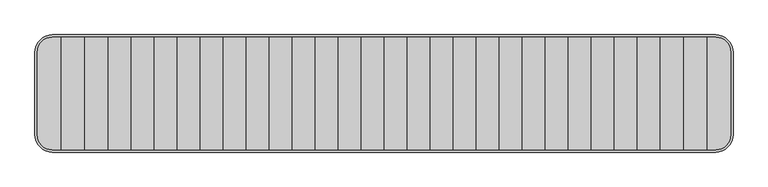
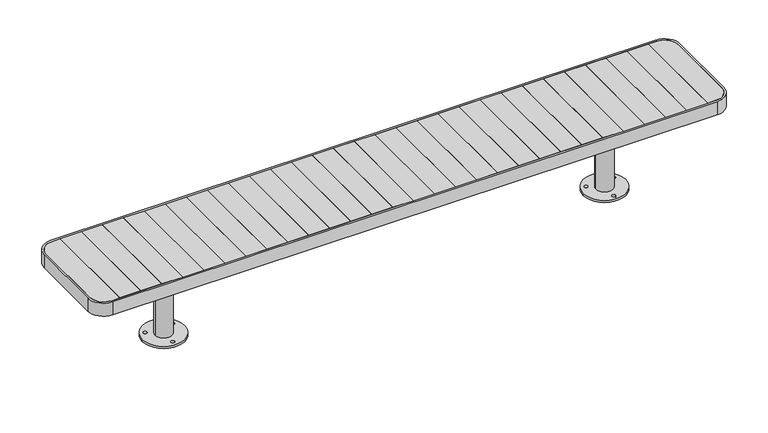
"""IFC4 building model written with IfcOpenShell, lengths in millimetres: furniture geometry."""

from ifc_helpers import new_model, si_unit, point, frame, frame_2d, origin, origin_with_axes, place, context, project, spatial, polyline, circle_curve, trimmed, segment, composite_curve, outline, extrude, source, transform, mapped, element, save
from ifc_brep_helpers import plane_surface, cylinder_surface, advanced_brep


def furniture_f39f6262(model_context):
    return source(origin(), model_context, "Body", "SolidModel", [
        extrude(outline(polyline([(1381.8, -242.0), (1283.1, -242.0), (1283.1, 242.0), (1381.8, 242.0), (1381.8, -242.0)])), frame((0.0, 0.0, 422.0), z_axis=(0.0, 0.0, 1.0), x_axis=(1.0, 0.0, 0.0)), (0.0, 0.0, 1.0), 28.0),
        extrude(outline(polyline([(1283.1, -242.0), (1184.4, -242.0), (1184.4, 242.0), (1283.1, 242.0), (1283.1, -242.0)])), frame((0.0, 0.0, 422.0), z_axis=(0.0, 0.0, 1.0), x_axis=(1.0, 0.0, 0.0)), (0.0, 0.0, 1.0), 28.0),
        extrude(outline(polyline([(1184.4, -242.0), (1085.7, -242.0), (1085.7, 242.0), (1184.4, 242.0), (1184.4, -242.0)])), frame((0.0, 0.0, 422.0), z_axis=(0.0, 0.0, 1.0), x_axis=(1.0, 0.0, 0.0)), (0.0, 0.0, 1.0), 28.0),
        extrude(outline(polyline([(1085.7, -242.0), (987.0, -242.0), (987.0, 242.0), (1085.7, 242.0), (1085.7, -242.0)])), frame((0.0, 0.0, 422.0), z_axis=(0.0, 0.0, 1.0), x_axis=(1.0, 0.0, 0.0)), (0.0, 0.0, 1.0), 28.0),
        extrude(outline(polyline([(987.0, -242.0), (888.3, -242.0), (888.3, 242.0), (987.0, 242.0), (987.0, -242.0)])), frame((0.0, 0.0, 422.0), z_axis=(0.0, 0.0, 1.0), x_axis=(1.0, 0.0, 0.0)), (0.0, 0.0, 1.0), 28.0),
        extrude(outline(polyline([(888.3, -242.0), (789.6, -242.0), (789.6, 242.0), (888.3, 242.0), (888.3, -242.0)])), frame((0.0, 0.0, 422.0), z_axis=(0.0, 0.0, 1.0), x_axis=(1.0, 0.0, 0.0)), (0.0, 0.0, 1.0), 28.0),
        extrude(outline(polyline([(789.6, -242.0), (690.9, -242.0), (690.9, 242.0), (789.6, 242.0), (789.6, -242.0)])), frame((0.0, 0.0, 422.0), z_axis=(0.0, 0.0, 1.0), x_axis=(1.0, 0.0, 0.0)), (0.0, 0.0, 1.0), 28.0),
        extrude(outline(polyline([(690.9, -242.0), (592.2, -242.0), (592.2, 242.0), (690.9, 242.0), (690.9, -242.0)])), frame((0.0, 0.0, 422.0), z_axis=(0.0, 0.0, 1.0), x_axis=(1.0, 0.0, 0.0)), (0.0, 0.0, 1.0), 28.0),
        extrude(outline(polyline([(592.2, -242.0), (493.5, -242.0), (493.5, 242.0), (592.2, 242.0), (592.2, -242.0)])), frame((0.0, 0.0, 422.0), z_axis=(0.0, 0.0, 1.0), x_axis=(1.0, 0.0, 0.0)), (0.0, 0.0, 1.0), 28.0),
        extrude(outline(polyline([(493.5, -242.0), (394.8, -242.0), (394.8, 242.0), (493.5, 242.0), (493.5, -242.0)])), frame((0.0, 0.0, 422.0), z_axis=(0.0, 0.0, 1.0), x_axis=(1.0, 0.0, 0.0)), (0.0, 0.0, 1.0), 28.0),
        extrude(outline(polyline([(394.8, -242.0), (296.1, -242.0), (296.1, 242.0), (394.8, 242.0), (394.8, -242.0)])), frame((0.0, 0.0, 422.0), z_axis=(0.0, 0.0, 1.0), x_axis=(1.0, 0.0, 0.0)), (0.0, 0.0, 1.0), 28.0),
        extrude(outline(composite_curve([segment(trimmed(circle_curve(frame_2d((1420.5004557, -177.0)), 65.0), [point((1485.5004557, -177.0))], [point((1420.5004557, -242.0))], False, "CARTESIAN"), True, "CONTINUOUS"), segment(polyline([(1420.5004557, -242.0), (1381.8, -242.0), (1381.8, 242.0), (1420.5004557, 242.0)]), True, "CONTINUOUS"), segment(trimmed(circle_curve(frame_2d((1420.5004557, 177.0)), 65.0), [point((1420.5004557, 242.0))], [point((1485.5004557, 177.0))], False, "CARTESIAN"), True, "CONTINUOUS"), segment(polyline([(1485.5004557, 177.0), (1485.5004557, -177.0)]), True, "CONTINUOUS")], self_intersect=False)), frame((0.0, 0.0, 422.0), z_axis=(0.0, 0.0, 1.0), x_axis=(1.0, 0.0, 0.0)), (0.0, 0.0, 1.0), 28.0),
        extrude(outline(polyline([(296.1, -242.0), (197.4, -242.0), (197.4, 242.0), (296.1, 242.0), (296.1, -242.0)])), frame((0.0, 0.0, 422.0), z_axis=(0.0, 0.0, 1.0), x_axis=(1.0, 0.0, 0.0)), (0.0, 0.0, 1.0), 28.0),
        extrude(outline(polyline([(197.4, -242.0), (98.7, -242.0), (98.7, 242.0), (197.4, 242.0), (197.4, -242.0)])), frame((0.0, 0.0, 422.0), z_axis=(0.0, 0.0, 1.0), x_axis=(1.0, 0.0, 0.0)), (0.0, 0.0, 1.0), 28.0),
        extrude(outline(polyline([(98.7, -242.0), (0.0, -242.0), (0.0, 242.0), (98.7, 242.0), (98.7, -242.0)])), frame((0.0, 0.0, 422.0), z_axis=(0.0, 0.0, 1.0), x_axis=(1.0, 0.0, 0.0)), (0.0, 0.0, 1.0), 28.0),
        extrude(outline(polyline([(-1283.1, -242.0), (-1381.8, -242.0), (-1381.8, 242.0), (-1283.1, 242.0), (-1283.1, -242.0)])), frame((0.0, 0.0, 422.0), z_axis=(0.0, 0.0, 1.0), x_axis=(1.0, 0.0, 0.0)), (0.0, 0.0, 1.0), 28.0),
        extrude(outline(polyline([(-1184.4, -242.0), (-1283.1, -242.0), (-1283.1, 242.0), (-1184.4, 242.0), (-1184.4, -242.0)])), frame((0.0, 0.0, 422.0), z_axis=(0.0, 0.0, 1.0), x_axis=(1.0, 0.0, 0.0)), (0.0, 0.0, 1.0), 28.0),
        extrude(outline(polyline([(-1085.7, -242.0), (-1184.4, -242.0), (-1184.4, 242.0), (-1085.7, 242.0), (-1085.7, -242.0)])), frame((0.0, 0.0, 422.0), z_axis=(0.0, 0.0, 1.0), x_axis=(1.0, 0.0, 0.0)), (0.0, 0.0, 1.0), 28.0),
        extrude(outline(polyline([(-987.0, -242.0), (-1085.7, -242.0), (-1085.7, 242.0), (-987.0, 242.0), (-987.0, -242.0)])), frame((0.0, 0.0, 422.0), z_axis=(0.0, 0.0, 1.0), x_axis=(1.0, 0.0, 0.0)), (0.0, 0.0, 1.0), 28.0),
        extrude(outline(polyline([(-888.3, -242.0), (-987.0, -242.0), (-987.0, 242.0), (-888.3, 242.0), (-888.3, -242.0)])), frame((0.0, 0.0, 422.0), z_axis=(0.0, 0.0, 1.0), x_axis=(1.0, 0.0, 0.0)), (0.0, 0.0, 1.0), 28.0),
        extrude(outline(polyline([(-789.6, -242.0), (-888.3, -242.0), (-888.3, 242.0), (-789.6, 242.0), (-789.6, -242.0)])), frame((0.0, 0.0, 422.0), z_axis=(0.0, 0.0, 1.0), x_axis=(1.0, 0.0, 0.0)), (0.0, 0.0, 1.0), 28.0),
        extrude(outline(polyline([(-690.9, -242.0), (-789.6, -242.0), (-789.6, 242.0), (-690.9, 242.0), (-690.9, -242.0)])), frame((0.0, 0.0, 422.0), z_axis=(0.0, 0.0, 1.0), x_axis=(1.0, 0.0, 0.0)), (0.0, 0.0, 1.0), 28.0),
        extrude(outline(polyline([(-592.2, -242.0), (-690.9, -242.0), (-690.9, 242.0), (-592.2, 242.0), (-592.2, -242.0)])), frame((0.0, 0.0, 422.0), z_axis=(0.0, 0.0, 1.0), x_axis=(1.0, 0.0, 0.0)), (0.0, 0.0, 1.0), 28.0),
        extrude(outline(polyline([(-493.5, -242.0), (-592.2, -242.0), (-592.2, 242.0), (-493.5, 242.0), (-493.5, -242.0)])), frame((0.0, 0.0, 422.0), z_axis=(0.0, 0.0, 1.0), x_axis=(1.0, 0.0, 0.0)), (0.0, 0.0, 1.0), 28.0),
        extrude(outline(polyline([(-394.8, -242.0), (-493.5, -242.0), (-493.5, 242.0), (-394.8, 242.0), (-394.8, -242.0)])), frame((0.0, 0.0, 422.0), z_axis=(0.0, 0.0, 1.0), x_axis=(1.0, 0.0, 0.0)), (0.0, 0.0, 1.0), 28.0),
        extrude(outline(polyline([(-296.1, -242.0), (-394.8, -242.0), (-394.8, 242.0), (-296.1, 242.0), (-296.1, -242.0)])), frame((0.0, 0.0, 422.0), z_axis=(0.0, 0.0, 1.0), x_axis=(1.0, 0.0, 0.0)), (0.0, 0.0, 1.0), 28.0),
        extrude(outline(composite_curve([segment(polyline([(-1485.5004557, -177.0), (-1485.5004557, 177.0)]), True, "CONTINUOUS"), segment(trimmed(circle_curve(frame_2d((-1420.5004557, 177.0)), 65.0), [point((-1485.5004557, 177.0))], [point((-1420.5004557, 242.0))], False, "CARTESIAN"), True, "CONTINUOUS"), segment(polyline([(-1420.5004557, 242.0), (-1381.8, 242.0), (-1381.8, -242.0), (-1420.5004557, -242.0)]), True, "CONTINUOUS"), segment(trimmed(circle_curve(frame_2d((-1420.5004557, -177.0)), 65.0), [point((-1420.5004557, -242.0))], [point((-1485.5004557, -177.0))], False, "CARTESIAN"), True, "CONTINUOUS")], self_intersect=False)), frame((0.0, 0.0, 422.0), z_axis=(0.0, 0.0, 1.0), x_axis=(1.0, 0.0, 0.0)), (0.0, 0.0, 1.0), 28.0),
        extrude(outline(polyline([(-197.4, -242.0), (-296.1, -242.0), (-296.1, 242.0), (-197.4, 242.0), (-197.4, -242.0)])), frame((0.0, 0.0, 422.0), z_axis=(0.0, 0.0, 1.0), x_axis=(1.0, 0.0, 0.0)), (0.0, 0.0, 1.0), 28.0),
        extrude(outline(polyline([(-98.7, -242.0), (-197.4, -242.0), (-197.4, 242.0), (-98.7, 242.0), (-98.7, -242.0)])), frame((0.0, 0.0, 422.0), z_axis=(0.0, 0.0, 1.0), x_axis=(1.0, 0.0, 0.0)), (0.0, 0.0, 1.0), 28.0),
        extrude(outline(polyline([(0.0, -242.0), (-98.7, -242.0), (-98.7, 242.0), (0.0, 242.0), (0.0, -242.0)])), frame((0.0, 0.0, 422.0), z_axis=(0.0, 0.0, 1.0), x_axis=(1.0, 0.0, 0.0)), (0.0, 0.0, 1.0), 28.0),
        extrude(outline(composite_curve([segment(trimmed(circle_curve(frame_2d((1036.35, 0.0)), 100.0), [point((1136.35, 0.0))], [point((936.35, 0.0))], False, "CARTESIAN"), True, "CONTINUOUS"), segment(trimmed(circle_curve(frame_2d((1036.35, 0.0)), 100.0), [point((936.35, 0.0))], [point((1136.35, 0.0))], False, "CARTESIAN"), True, "CONTINUOUS")], self_intersect=False), holes=[composite_curve([segment(trimmed(circle_curve(frame_2d((1101.3071886, 37.4460209)), 8.0), [point((1109.3071886, 37.4460209))], [point((1093.3071886, 37.4460209))], True, "CARTESIAN"), True, "CONTINUOUS"), segment(trimmed(circle_curve(frame_2d((1101.3071886, 37.4460209)), 8.0), [point((1093.3071886, 37.4460209))], [point((1109.3071886, 37.4460209))], True, "CARTESIAN"), True, "CONTINUOUS")], self_intersect=False), composite_curve([segment(trimmed(circle_curve(frame_2d((971.3071886, 37.4460209)), 8.0), [point((979.3071886, 37.4460209))], [point((963.3071886, 37.4460209))], True, "CARTESIAN"), True, "CONTINUOUS"), segment(trimmed(circle_curve(frame_2d((971.3071886, 37.4460209)), 8.0), [point((963.3071886, 37.4460209))], [point((979.3071886, 37.4460209))], True, "CARTESIAN"), True, "CONTINUOUS")], self_intersect=False), composite_curve([segment(trimmed(circle_curve(frame_2d((1036.3071886, -75.1372816)), 8.0), [point((1044.3071886, -75.1372816))], [point((1028.3071886, -75.1372816))], True, "CARTESIAN"), True, "CONTINUOUS"), segment(trimmed(circle_curve(frame_2d((1036.3071886, -75.1372816)), 8.0), [point((1028.3071886, -75.1372816))], [point((1044.3071886, -75.1372816))], True, "CARTESIAN"), True, "CONTINUOUS")], self_intersect=False)]), origin_with_axes(), (0.0, 0.0, 1.0), 9.9997207),
        extrude(outline(composite_curve([segment(trimmed(circle_curve(frame_2d((1036.3271918, 0.0)), 40.0), [point((1076.3271918, 0.0))], [point((996.3271918, 0.0))], False, "CARTESIAN"), True, "CONTINUOUS"), segment(trimmed(circle_curve(frame_2d((1036.3271918, 0.0)), 40.0), [point((996.3271918, 0.0))], [point((1076.3271918, 0.0))], False, "CARTESIAN"), True, "CONTINUOUS")], self_intersect=False)), origin_with_axes(), (0.0, 0.0, 1.0), 418.0),
        extrude(outline(composite_curve([segment(trimmed(circle_curve(frame_2d((-1036.35, 0.0)), 100.0), [point((-1136.35, 0.0))], [point((-936.35, 0.0))], False, "CARTESIAN"), True, "CONTINUOUS"), segment(trimmed(circle_curve(frame_2d((-1036.35, 0.0)), 100.0), [point((-936.35, 0.0))], [point((-1136.35, 0.0))], False, "CARTESIAN"), True, "CONTINUOUS")], self_intersect=False), holes=[composite_curve([segment(trimmed(circle_curve(frame_2d((-1101.3071886, 37.4460209)), 8.0), [point((-1109.3071886, 37.4460209))], [point((-1093.3071886, 37.4460209))], True, "CARTESIAN"), True, "CONTINUOUS"), segment(trimmed(circle_curve(frame_2d((-1101.3071886, 37.4460209)), 8.0), [point((-1093.3071886, 37.4460209))], [point((-1109.3071886, 37.4460209))], True, "CARTESIAN"), True, "CONTINUOUS")], self_intersect=False), composite_curve([segment(trimmed(circle_curve(frame_2d((-971.3071886, 37.4460209)), 8.0), [point((-979.3071886, 37.4460209))], [point((-963.3071886, 37.4460209))], True, "CARTESIAN"), True, "CONTINUOUS"), segment(trimmed(circle_curve(frame_2d((-971.3071886, 37.4460209)), 8.0), [point((-963.3071886, 37.4460209))], [point((-979.3071886, 37.4460209))], True, "CARTESIAN"), True, "CONTINUOUS")], self_intersect=False), composite_curve([segment(trimmed(circle_curve(frame_2d((-1036.3071886, -75.1372816)), 8.0), [point((-1044.3071886, -75.1372816))], [point((-1028.3071886, -75.1372816))], True, "CARTESIAN"), True, "CONTINUOUS"), segment(trimmed(circle_curve(frame_2d((-1036.3071886, -75.1372816)), 8.0), [point((-1028.3071886, -75.1372816))], [point((-1044.3071886, -75.1372816))], True, "CARTESIAN"), True, "CONTINUOUS")], self_intersect=False)]), origin_with_axes(), (0.0, 0.0, 1.0), 9.9997207),
        extrude(outline(composite_curve([segment(trimmed(circle_curve(frame_2d((-1036.3271918, 0.0)), 40.0), [point((-1076.3271918, 0.0))], [point((-996.3271918, 0.0))], False, "CARTESIAN"), True, "CONTINUOUS"), segment(trimmed(circle_curve(frame_2d((-1036.3271918, 0.0)), 40.0), [point((-996.3271918, 0.0))], [point((-1076.3271918, 0.0))], False, "CARTESIAN"), True, "CONTINUOUS")], self_intersect=False)), origin_with_axes(), (0.0, 0.0, 1.0), 418.0),
        advanced_brep(
        [(-1485.5004557, 177.0, 422.0), (-1485.5004557, -177.0, 422.0), (-1420.5004557, -242.0, 422.0), (1420.5004557, -242.0, 422.0), (1485.5004557, -177.0, 422.0), (1485.5004557, 177.0, 422.0), (1420.5004557, 242.0, 422.0), (-1420.5004557, 242.0, 422.0), (1386.8, 141.9868511, 422.0), (1386.8, -142.0, 422.0), (1076.8785308, -142.0, 422.0), (1076.8785308, 142.0, 422.0), (-1376.8, -142.0, 422.0), (-1376.8, 141.9868511, 422.0), (-1076.8785308, 141.9868511, 422.0), (-1076.8785308, -142.0, 422.0), (-995.8618569, 141.9868511, 422.0), (995.8618569, 141.9868511, 422.0), (995.8618569, -142.0, 422.0), (-995.8618569, -142.0, 422.0), (-1485.5004557, 177.0, 418.0), (-1420.5004557, 242.0, 418.0), (1420.5004557, 242.0, 418.0), (1485.5004557, 177.0, 418.0), (1485.5004557, -177.0, 418.0), (1420.5004557, -242.0, 418.0), (-1420.5004557, -242.0, 418.0), (-1485.5004557, -177.0, 418.0), (1386.8, -142.0, 418.0), (1386.8, 141.9868511, 418.0), (1076.8785308, 141.9868511, 418.0), (1076.8785308, -142.0, 418.0), (-1376.8, 141.9868511, 418.0), (-1376.8, -142.0, 418.0), (-1076.8785308, -142.0, 418.0), (-1076.8785308, 142.0, 418.0), (-995.8618569, -142.0, 418.0), (995.8618569, -142.0, 418.0), (995.8618569, 142.0, 418.0), (-995.8618569, 141.9868511, 418.0)],
        [
            (0, 1),
            (1, 2, circle_curve(frame((-1420.5004557, -177.0, 422.0), z_axis=(0.0, 0.0, 1.0), x_axis=(1.0, 0.0, 0.0)), 65.0)),
            (2, 3),
            (3, 4, circle_curve(frame((1420.5004557, -177.0, 422.0), z_axis=(0.0, 0.0, 1.0), x_axis=(-1.0, 0.0, 0.0)), 65.0)),
            (4, 5),
            (5, 6, circle_curve(frame((1420.5004557, 177.0, 422.0), z_axis=(0.0, 0.0, 1.0), x_axis=(-1.0, 0.0, 0.0)), 65.0)),
            (6, 7),
            (7, 0, circle_curve(frame((-1420.5004557, 177.0, 422.0), z_axis=(0.0, 0.0, 1.0), x_axis=(1.0, 0.0, 0.0)), 65.0)),
            (8, 9),
            (9, 10),
            (10, 11),
            (11, 8),
            (12, 13),
            (13, 14),
            (14, 15),
            (15, 12),
            (16, 17),
            (17, 18),
            (18, 19),
            (19, 16),
            (20, 21, circle_curve(frame((-1420.5004557, 177.0, 418.0), z_axis=(0.0, 0.0, -1.0), x_axis=(1.0, 0.0, 0.0)), 65.0)),
            (21, 22),
            (22, 23, circle_curve(frame((1420.5004557, 177.0, 418.0), z_axis=(0.0, 0.0, -1.0), x_axis=(-1.0, 0.0, 0.0)), 65.0)),
            (23, 24),
            (24, 25, circle_curve(frame((1420.5004557, -177.0, 418.0), z_axis=(0.0, 0.0, -1.0), x_axis=(-1.0, 0.0, 0.0)), 65.0)),
            (25, 26),
            (26, 27, circle_curve(frame((-1420.5004557, -177.0, 418.0), z_axis=(0.0, 0.0, -1.0), x_axis=(1.0, 0.0, 0.0)), 65.0)),
            (27, 20),
            (28, 29),
            (29, 30),
            (30, 31),
            (31, 28),
            (32, 33),
            (33, 34),
            (34, 35),
            (35, 32),
            (36, 37),
            (37, 38),
            (38, 39),
            (39, 36),
            (0, 20),
            (27, 1),
            (26, 2),
            (25, 3),
            (24, 4),
            (23, 5),
            (22, 6),
            (21, 7),
            (29, 8),
            (11, 30),
            (13, 32),
            (35, 14),
            (16, 39),
            (38, 17),
            (28, 9),
            (31, 10),
            (33, 12),
            (15, 34),
            (36, 19),
            (18, 37),
        ],
        [
            plane_surface(frame((-1485.5004557, -177.0, 422.0), z_axis=(0.0, 0.0, 1.0), x_axis=(0.0, -1.0, 0.0))),
            plane_surface(frame((-1485.5004557, -177.0, 418.0), z_axis=(0.0, 0.0, -1.0), x_axis=(0.0, 1.0, 0.0))),
            plane_surface(frame((-1485.5004557, 177.0, 422.0), z_axis=(-1.0, 0.0, 0.0), x_axis=(0.0, 0.0, -1.0))),
            cylinder_surface(frame((-1420.5004557, -177.0, 418.0), z_axis=(0.0, 0.0, 1.0), x_axis=(1.0, 0.0, 0.0)), 65.0),
            plane_surface(frame((-1420.5004557, -242.0, 422.0), z_axis=(0.0, -1.0, 0.0), x_axis=(0.0, 0.0, -1.0))),
            cylinder_surface(frame((1420.5004557, -177.0, 418.0), z_axis=(0.0, 0.0, 1.0), x_axis=(-1.0, 0.0, 0.0)), 65.0),
            plane_surface(frame((1485.5004557, -177.0, 422.0), z_axis=(1.0, 0.0, 0.0), x_axis=(0.0, 0.0, -1.0))),
            cylinder_surface(frame((1420.5004557, 177.0, 418.0), z_axis=(0.0, 0.0, 1.0), x_axis=(-1.0, 0.0, 0.0)), 65.0),
            plane_surface(frame((1420.5004557, 242.0, 422.0), z_axis=(0.0, 1.0, 0.0), x_axis=(0.0, 0.0, -1.0))),
            cylinder_surface(frame((-1420.5004557, 177.0, 418.0), z_axis=(0.0, 0.0, 1.0), x_axis=(1.0, 0.0, 0.0)), 65.0),
            plane_surface(frame((-1376.8, 141.9868511, 422.0), z_axis=(0.0, -1.0, 0.0), x_axis=(0.0, 0.0, -1.0))),
            plane_surface(frame((1386.8, 141.9868511, 422.0), z_axis=(-1.0, 0.0, 0.0), x_axis=(0.0, 0.0, -1.0))),
            plane_surface(frame((1386.8, -142.0, 422.0), z_axis=(0.0, 1.0, 0.0), x_axis=(0.0, 0.0, -1.0))),
            plane_surface(frame((-1376.8, -142.0, 422.0), z_axis=(1.0, 0.0, 0.0), x_axis=(0.0, 0.0, -1.0))),
            plane_surface(frame((-1076.8785308, -142.0, 422.0), z_axis=(-1.0, 0.0, 0.0), x_axis=(0.0, 1.0, 0.0))),
            plane_surface(frame((-995.8618569, -142.0, 418.0), z_axis=(1.0, 0.0, 0.0), x_axis=(0.0, 1.0, 0.0))),
            plane_surface(frame((1076.8785308, -142.0, 418.0), z_axis=(1.0, 0.0, 0.0), x_axis=(0.0, 1.0, 0.0))),
            plane_surface(frame((995.8618569, -142.0, 422.0), z_axis=(-1.0, 0.0, 0.0), x_axis=(0.0, 1.0, 0.0))),
        ],
        [
            (0, [[1, 2, 3, 4, 5, 6, 7, 8], [9, 10, 11, 12], [13, 14, 15, 16], [17, 18, 19, 20]]),
            (1, [[21, 22, 23, 24, 25, 26, 27, 28], [29, 30, 31, 32], [33, 34, 35, 36], [37, 38, 39, 40]]),
            (2, [[-1, 41, -28, 42]]),
            (3, [[-2, -42, -27, 43]]),
            (4, [[-3, -43, -26, 44]]),
            (5, [[-4, -44, -25, 45]]),
            (6, [[-5, -45, -24, 46]]),
            (7, [[-6, -46, -23, 47]]),
            (8, [[-7, -47, -22, 48]]),
            (9, [[-8, -48, -21, -41]]),
            (10, [[49, -12, 50, -30]]),
            (10, [[51, -36, 52, -14]]),
            (10, [[53, -39, 54, -17]]),
            (11, [[-9, -49, -29, 55]]),
            (12, [[-55, -32, 56, -10]]),
            (12, [[57, -16, 58, -34]]),
            (12, [[59, -19, 60, -37]]),
            (13, [[-13, -57, -33, -51]]),
            (14, [[-35, -58, -15, -52]]),
            (15, [[-40, -53, -20, -59]]),
            (16, [[-31, -50, -11, -56]]),
            (17, [[-38, -60, -18, -54]]),
        ],
    ),
        extrude(outline(composite_curve([segment(polyline([(-1495.5004557, -177.0), (-1495.5004557, 177.0)]), True, "CONTINUOUS"), segment(trimmed(circle_curve(frame_2d((-1420.5004557, 177.0)), 75.0), [point((-1495.5004557, 177.0))], [point((-1420.5004557, 252.0))], False, "CARTESIAN"), True, "CONTINUOUS"), segment(polyline([(-1420.5004557, 252.0), (1420.5004557, 252.0)]), True, "CONTINUOUS"), segment(trimmed(circle_curve(frame_2d((1420.5004557, 177.0)), 75.0), [point((1420.5004557, 252.0))], [point((1495.5004557, 177.0))], False, "CARTESIAN"), True, "CONTINUOUS"), segment(polyline([(1495.5004557, 177.0), (1495.5004557, -177.0)]), True, "CONTINUOUS"), segment(trimmed(circle_curve(frame_2d((1420.5004557, -177.0)), 75.0), [point((1495.5004557, -177.0))], [point((1420.5004557, -252.0))], False, "CARTESIAN"), True, "CONTINUOUS"), segment(polyline([(1420.5004557, -252.0), (-1420.5004557, -252.0)]), True, "CONTINUOUS"), segment(trimmed(circle_curve(frame_2d((-1420.5004557, -177.0)), 75.0), [point((-1420.5004557, -252.0))], [point((-1495.5004557, -177.0))], False, "CARTESIAN"), True, "CONTINUOUS")], self_intersect=False), holes=[composite_curve([segment(trimmed(circle_curve(frame_2d((-1420.5004557, -177.0)), 65.0), [point((-1485.5004557, -177.0))], [point((-1420.5004557, -242.0))], True, "CARTESIAN"), True, "CONTINUOUS"), segment(polyline([(-1420.5004557, -242.0), (1420.5004557, -242.0)]), True, "CONTINUOUS"), segment(trimmed(circle_curve(frame_2d((1420.5004557, -177.0)), 65.0), [point((1420.5004557, -242.0))], [point((1485.5004557, -177.0))], True, "CARTESIAN"), True, "CONTINUOUS"), segment(polyline([(1485.5004557, -177.0), (1485.5004557, 177.0)]), True, "CONTINUOUS"), segment(trimmed(circle_curve(frame_2d((1420.5004557, 177.0)), 65.0), [point((1485.5004557, 177.0))], [point((1420.5004557, 242.0))], True, "CARTESIAN"), True, "CONTINUOUS"), segment(polyline([(1420.5004557, 242.0), (-1420.5004557, 242.0)]), True, "CONTINUOUS"), segment(trimmed(circle_curve(frame_2d((-1420.5004557, 177.0)), 65.0), [point((-1420.5004557, 242.0))], [point((-1485.5004557, 177.0))], True, "CARTESIAN"), True, "CONTINUOUS"), segment(polyline([(-1485.5004557, 177.0), (-1485.5004557, -177.0)]), True, "CONTINUOUS")], self_intersect=False)]), frame((0.0, 0.0, 385.0000413), z_axis=(0.0, 0.0, 1.0), x_axis=(1.0, 0.0, 0.0)), (0.0, 0.0, 1.0), 64.9999587),
    ])


if __name__ == "__main__":
    model = new_model("IFC4")
    model_context = context("Model", 3, world=origin())
    ifc_project = project(units=[si_unit("LENGTHUNIT", "METRE", prefix="MILLI")], contexts=[model_context])
    site = spatial("IfcSite", under=ifc_project)
    building = spatial("IfcBuilding", under=site)
    placement = place(None, origin())
    furniture_shape = furniture_f39f6262(model_context)
    element("IfcFurniture", 1, at=placement, inside=building, context=model_context, shape_type="MappedRepresentation", body=[
        mapped(furniture_shape, transform((0.0, 0.0, 0.0), x_axis=(1.0, 0.0, 0.0), y_axis=(0.0, 1.0, 0.0), z_axis=(0.0, 0.0, 1.0))),
    ])
    save(model, "model.ifc")
